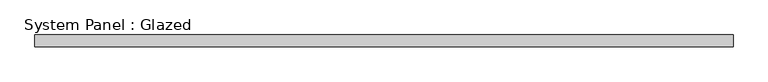
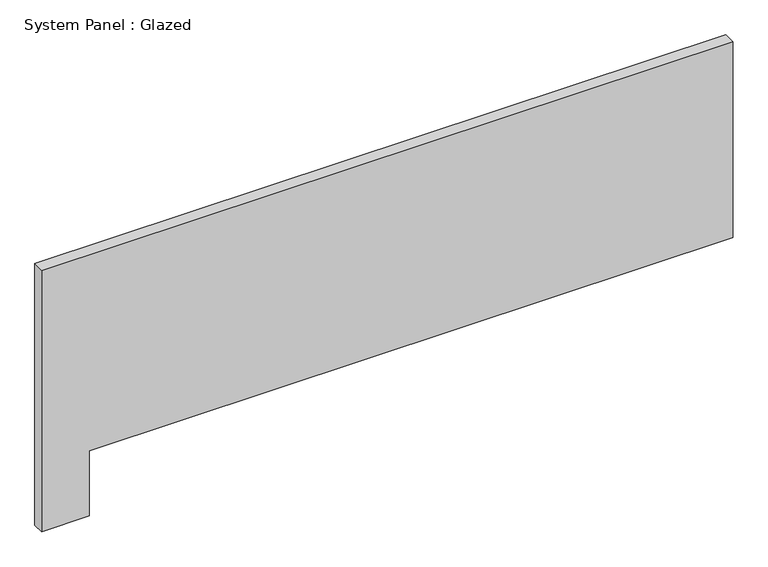
"""IFC4 building model written with IfcOpenShell, lengths in millimetres: plate geometry, System Panel : Glazed."""

from ifc_helpers import new_model, si_unit, frame, origin, place, context, project, spatial, polyline, outline, extrude, source, transform, mapped, element, save


def system_panel_glazed_fa57a159(model_context):
    return source(origin(), model_context, "Body", "SweptSolid", [
        extrude(outline(polyline([(0.0, -762.0), (0.0, -657.225), (152.4, -657.225), (152.4, 762.0), (609.6, 762.0), (609.6, -762.0), (0.0, -762.0)])), frame((0.0, 19.05, 0.0), z_axis=(0.0, 1.0, 0.0), x_axis=(0.0, 0.0, 1.0)), (0.0, 0.0, 1.0), 25.4),
    ])


if __name__ == "__main__":
    model = new_model("IFC4")
    model_context = context("Model", 3, world=origin())
    ifc_project = project(units=[si_unit("LENGTHUNIT", "METRE", prefix="MILLI")], contexts=[model_context])
    site = spatial("IfcSite", under=ifc_project)
    building = spatial("IfcBuilding", under=site)
    placement = place(None, origin())
    system_panel_glazed_shape = system_panel_glazed_fa57a159(model_context)
    element("IfcPlate", 1, ObjectType="System Panel : Glazed", at=placement, inside=building, context=model_context, shape_type="MappedRepresentation", body=[
        mapped(system_panel_glazed_shape, transform((0.0, 0.0, 0.0), x_axis=(1.0, 0.0, 0.0), y_axis=(0.0, 1.0, 0.0), z_axis=(0.0, 0.0, 1.0))),
    ])
    save(model, "model.ifc")
